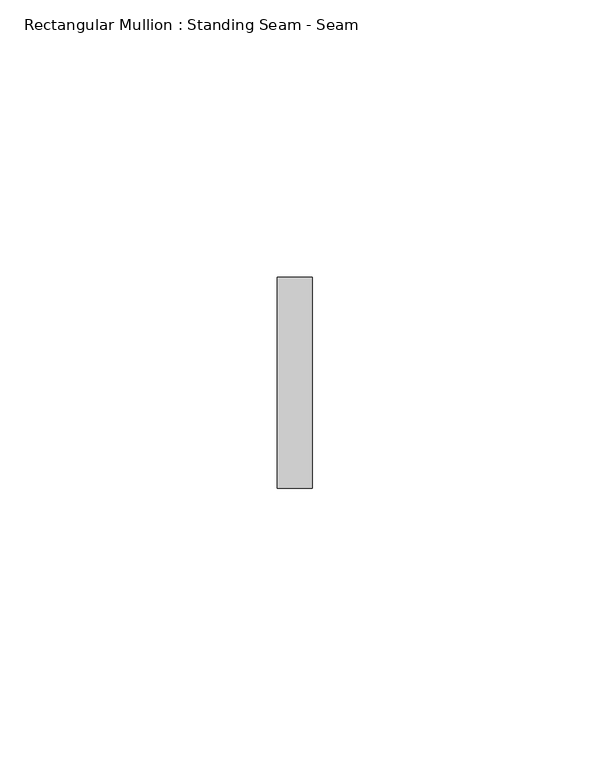
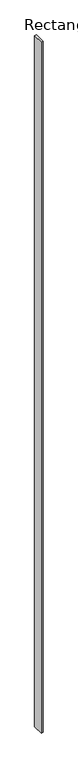
"""IFC4 building model written with IfcOpenShell, lengths in millimetres: member geometry, Rectangular Mullion : Standing Seam - Seam."""

from ifc_helpers import new_model, si_unit, frame, origin, place, context, project, spatial, polyline, outline, extrude, source, transform, mapped, element, save


def rectangular_mullion_standing_seam_seam_95e7584f(model_context):
    return source(origin(), model_context, "Body", "SweptSolid", [
        extrude(outline(polyline([(3.175, 41.275), (3.175, 3.175), (-3.175, 3.175), (-3.175, 41.275), (3.175, 41.275)])), frame((0.0, 0.0, -2423.9602773), z_axis=(0.0, 0.0, 1.0), x_axis=(1.0, 0.0, 0.0)), (0.0, 0.0, 1.0), 2423.9602773),
    ])


if __name__ == "__main__":
    model = new_model("IFC4")
    model_context = context("Model", 3, world=origin())
    ifc_project = project(units=[si_unit("LENGTHUNIT", "METRE", prefix="MILLI")], contexts=[model_context])
    site = spatial("IfcSite", under=ifc_project)
    building = spatial("IfcBuilding", under=site)
    placement = place(None, origin())
    rectangular_mullion_standing_seam_seam_shape = rectangular_mullion_standing_seam_seam_95e7584f(model_context)
    element("IfcMember", 1, ObjectType="Rectangular Mullion : Standing Seam - Seam", at=placement, inside=building, context=model_context, shape_type="MappedRepresentation", body=[
        mapped(rectangular_mullion_standing_seam_seam_shape, transform((0.0, 0.0, 0.0), x_axis=(1.0, 0.0, 0.0), y_axis=(0.0, 1.0, 0.0), z_axis=(0.0, 0.0, 1.0))),
    ])
    save(model, "model.ifc")
